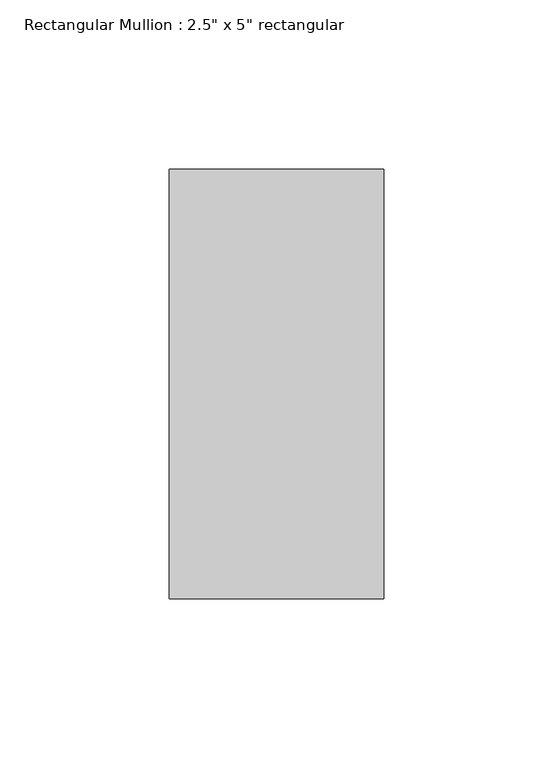
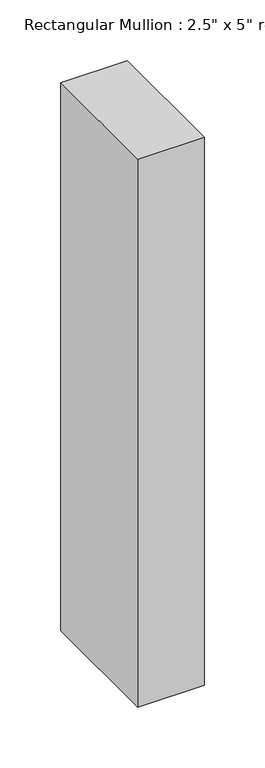
"""IFC4 building model written with IfcOpenShell, lengths in millimetres: member geometry."""

import ifcopenshell
import ifcopenshell.guid

model = None  # the IFC model being written
_history = None  # IfcOwnerHistory: only IFC2X3 demands one
_inside = {}  # id of a spatial element -> (the spatial element, [elements in it])
_under = {}  # id of a project, library or spatial element -> (it, [spatial elements below it])
_declared = {}  # id of a project -> (the project, [libraries it declares])
_typed = {}  # id of a type object -> (the type object, [elements of that type])
_made_of = {}  # id of a material, layer set ... -> (it, [elements and type objects made of it])


def new_model(schema):
    """Start an empty IFC model of exactly this schema.

    Asked for "IFC4X3", IfcOpenShell would pick the latest addendum, in which some entities
    have other attributes; the version numbers below select the first issue.
    IFC2X3 requires an IfcOwnerHistory on every rooted entity: one is made here for all.
    """
    global model, _history
    if schema == "IFC4X3":
        model = ifcopenshell.file(schema_version=(4, 3, 0, 0))
    else:
        model = ifcopenshell.file(schema=schema)
    _inside.clear()
    _under.clear()
    _declared.clear()
    _typed.clear()
    _made_of.clear()
    _history = None
    if model.schema == "IFC2X3":
        org = make("IfcOrganization", Name="unknown")
        user = make(
            "IfcPersonAndOrganization",
            ThePerson=make("IfcPerson", FamilyName="unknown"),
            TheOrganization=org,
        )
        app = make(
            "IfcApplication",
            ApplicationDeveloper=org,
            Version="unknown",
            ApplicationFullName="unknown",
            ApplicationIdentifier="unknown",
        )
        _history = make(
            "IfcOwnerHistory",
            OwningUser=user,
            OwningApplication=app,
            ChangeAction="ADDED",
            CreationDate=0,
        )
    return model


def make(cls, **values):
    """One entity of the class cls with the attributes given. An attribute that is None is left unset."""
    return model.create_entity(
        cls, **{name: value for name, value in values.items() if value is not None}
    )


def rooted(cls, **values):
    """An entity with a GlobalId (a new one), such as an element, a storey or a relation."""
    return make(cls, GlobalId=ifcopenshell.guid.new(), OwnerHistory=_history, **values)


def si_unit(unit_type, name, prefix=None):
    """IfcSIUnit, for example si_unit("LENGTHUNIT", "METRE", prefix="MILLI")."""
    return make("IfcSIUnit", UnitType=unit_type, Prefix=prefix, Name=name)


def assignment(units):
    """IfcUnitAssignment: the units of a project."""
    return None if units is None else make("IfcUnitAssignment", Units=units)


def point(xyz):
    """IfcCartesianPoint."""
    return None if xyz is None else make("IfcCartesianPoint", Coordinates=xyz)


def direction(xyz):
    """IfcDirection."""
    return None if xyz is None else make("IfcDirection", DirectionRatios=xyz)


def frame(location, z_axis=None, x_axis=None):
    """IfcAxis2Placement3D, a coordinate frame: its origin and axes. An axis left out is left unset."""
    return make(
        "IfcAxis2Placement3D",
        Location=point(location),
        Axis=direction(z_axis),
        RefDirection=direction(x_axis),
    )


def origin():
    """The frame at (0, 0, 0) with its axes left unset."""
    return frame((0.0, 0.0, 0.0))


def place(relative_to, where):
    """IfcLocalPlacement: puts the frame where relative to a parent placement (None: the world)."""
    return make(
        "IfcLocalPlacement", PlacementRelTo=relative_to, RelativePlacement=where
    )


def context(
    kind, dimensions, precision=None, world=None, true_north=None, identifier=None
):
    """IfcGeometricRepresentationContext, for example the 3D "Model" context."""
    return make(
        "IfcGeometricRepresentationContext",
        ContextIdentifier=identifier,
        ContextType=kind,
        CoordinateSpaceDimension=dimensions,
        Precision=precision,
        WorldCoordinateSystem=world,
        TrueNorth=true_north,
    )


def project(units=None, contexts=None):
    """IfcProject with its units and contexts."""
    return rooted(
        "IfcProject",
        Name="project",
        RepresentationContexts=contexts,
        UnitsInContext=assignment(units),
    )


def spatial(cls, under=None, at=None, **own):
    """A site, building, storey or space (cls), placed at a placement, below another one or the project."""
    s = rooted(cls, ObjectPlacement=at, **own)
    if under is not None:
        _under.setdefault(under.id(), (under, []))[1].append(s)
    return s


def polyline(points):
    """IfcPolyline through the points."""
    return make("IfcPolyline", Points=[point(p) for p in points])


def outline(outer, holes=None, kind="AREA"):
    """IfcArbitraryClosedProfileDef: a profile drawn as a closed curve; with holes, ...WithVoids."""
    if holes is None:
        return make("IfcArbitraryClosedProfileDef", ProfileType=kind, OuterCurve=outer)
    return make(
        "IfcArbitraryProfileDefWithVoids",
        ProfileType=kind,
        OuterCurve=outer,
        InnerCurves=holes,
    )


def extrude(swept, where, along, depth):
    """IfcExtrudedAreaSolid: the profile swept, set in the frame where, extruded along a direction by depth."""
    return make(
        "IfcExtrudedAreaSolid",
        SweptArea=swept,
        Position=where,
        ExtrudedDirection=direction(along),
        Depth=depth,
    )


def shape(context_of_items, identifier, shape_type, items):
    """IfcShapeRepresentation: the items that make up one representation, for example the "Body"."""
    return make(
        "IfcShapeRepresentation",
        ContextOfItems=context_of_items,
        RepresentationIdentifier=identifier,
        RepresentationType=shape_type,
        Items=items,
    )


def source(mapping_origin, context_of_items, identifier, shape_type, items):
    """IfcRepresentationMap: a shape defined once, which mapped items show again and again."""
    return make(
        "IfcRepresentationMap",
        MappingOrigin=mapping_origin,
        MappedRepresentation=shape(context_of_items, identifier, shape_type, items),
    )


def transform(
    local_origin,
    x_axis=None,
    y_axis=None,
    z_axis=None,
    scale=None,
    scale2=None,
    scale3=None,
    uniform=True,
):
    """IfcCartesianTransformationOperator3D, or its non-uniform kind. x_axis, y_axis, z_axis: its Axis1, 2, 3."""
    if uniform:
        return make(
            "IfcCartesianTransformationOperator3D",
            Axis1=direction(x_axis),
            Axis2=direction(y_axis),
            LocalOrigin=point(local_origin),
            Scale=scale,
            Axis3=direction(z_axis),
        )
    return make(
        "IfcCartesianTransformationOperator3DnonUniform",
        Axis1=direction(x_axis),
        Axis2=direction(y_axis),
        LocalOrigin=point(local_origin),
        Scale=scale,
        Axis3=direction(z_axis),
        Scale2=scale2,
        Scale3=scale3,
    )


def mapped(mapping_source, mapping_target):
    """IfcMappedItem: shows the shape of a source again, moved by a transform."""
    return make(
        "IfcMappedItem", MappingSource=mapping_source, MappingTarget=mapping_target
    )


def made_of(thing, what):
    """Note that an element or type object is made of a material, layer set ...; save() writes the relation."""
    if what is not None:
        _made_of.setdefault(what.id(), (what, []))[1].append(thing)
    return thing


def element(
    cls,
    number,
    at=None,
    inside=None,
    cuts=None,
    type_object=None,
    material=None,
    context=None,
    identifier="Body",
    shape_type=None,
    held_by="IfcProductDefinitionShape",
    body=None,
    shapes=None,
    **own,
):
    """One element of the class cls, such as IfcWall. Its Tag is "e" and its number.

    at: its placement. inside: the storey or other place that contains it. cuts: it is an
    opening in that element (IfcRelVoidsElement). A single representation is given by context,
    identifier, shape_type and body (its items); several are given by shapes. held_by: the class
    of the entity that holds the representations. save() writes the other relations.
    """
    e = rooted(cls, Tag="e%d" % number, ObjectPlacement=at, **own)
    if body is not None:
        shapes = [shape(context, identifier, shape_type, body)]
    if shapes is not None:
        e.Representation = make(held_by, Representations=shapes)
    if inside is not None:
        _inside.setdefault(inside.id(), (inside, []))[1].append(e)
    if cuts is not None:
        rooted(
            "IfcRelVoidsElement", RelatingBuildingElement=cuts, RelatedOpeningElement=e
        )
    if type_object is not None:
        _typed.setdefault(type_object.id(), (type_object, []))[1].append(e)
    return made_of(e, material)


def aggregate(whole, parts):
    """IfcRelAggregates: a whole, such as a stair, and the parts it consists of."""
    return rooted("IfcRelAggregates", RelatingObject=whole, RelatedObjects=parts)


def save(model, path):
    """Write the relations noted so far, then the file.

    IfcRelAggregates (storeys below a building ...), IfcRelContainedInSpatialStructure (elements
    in a storey), IfcRelDefinesByType, IfcRelAssociatesMaterial and IfcRelDeclares: one each for
    every whole, place, type object, material and project.
    """
    for whole, parts in _under.values():
        aggregate(whole, parts)
    for where, things in _inside.values():
        rooted(
            "IfcRelContainedInSpatialStructure",
            RelatedElements=things,
            RelatingStructure=where,
        )
    for kind, things in _typed.values():
        rooted("IfcRelDefinesByType", RelatedObjects=things, RelatingType=kind)
    for what, things in _made_of.values():
        rooted("IfcRelAssociatesMaterial", RelatedObjects=things, RelatingMaterial=what)
    for by, libraries in _declared.values():
        rooted("IfcRelDeclares", RelatingContext=by, RelatedDefinitions=libraries)
    model.write(path)


def member_73c075c8(model_context):
    return source(origin(), model_context, "Body", "SweptSolid", [
        extrude(outline(polyline([(0.0, 63.5), (0.0, -63.5), (-63.5, -63.5), (-63.5, 63.5), (0.0, 63.5)])), frame((0.0, 0.0, -552.45), z_axis=(0.0, 0.0, 1.0), x_axis=(1.0, 0.0, 0.0)), (0.0, 0.0, 1.0), 552.45),
    ])


if __name__ == "__main__":
    model = new_model("IFC4")
    model_context = context("Model", 3, world=origin())
    ifc_project = project(units=[si_unit("LENGTHUNIT", "METRE", prefix="MILLI")], contexts=[model_context])
    site = spatial("IfcSite", under=ifc_project)
    building = spatial("IfcBuilding", under=site)
    placement = place(None, origin())
    member_shape = member_73c075c8(model_context)
    element("IfcMember", 1, ObjectType="Rectangular Mullion : 2.5\" x 5\" rectangular", at=placement, inside=building, context=model_context, shape_type="MappedRepresentation", body=[
        mapped(member_shape, transform((0.0, 0.0, 0.0), x_axis=(1.0, 0.0, 0.0), y_axis=(0.0, 1.0, 0.0), z_axis=(0.0, 0.0, 1.0))),
    ])
    save(model, "model.ifc")
